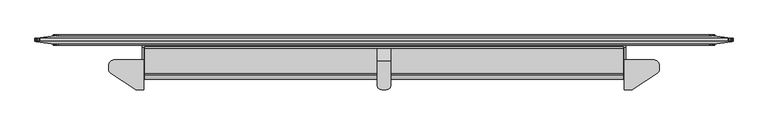
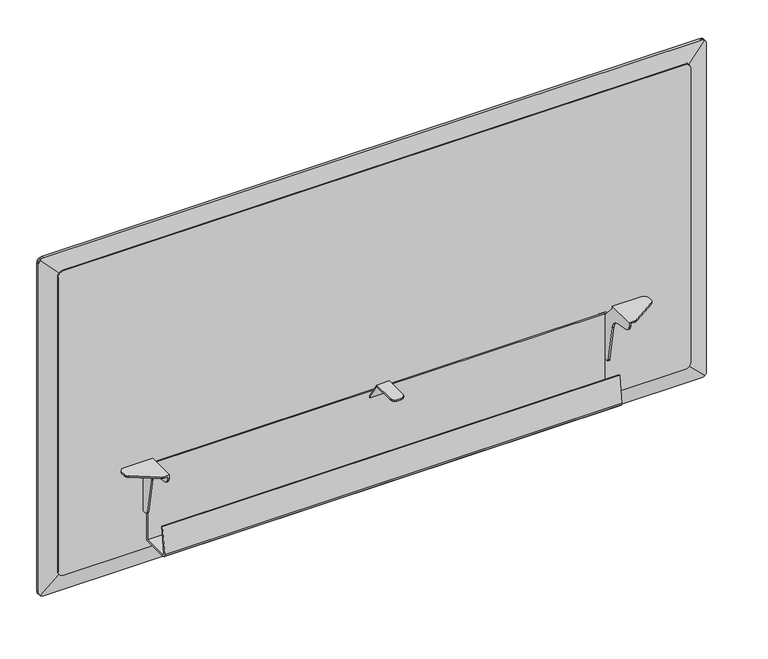
"""IFC4 building model written with IfcOpenShell, lengths in millimetres: furniture geometry."""

from ifc_helpers import new_model, si_unit, frame, origin, place, context, project, spatial, polyline, outline, extrude, faceted_brep, source, transform, mapped, element, save


def furniture_07ac984d(model_context):
    return source(origin(), model_context, "Body", "SolidModel", [
        faceted_brep([(1170.6859978, -47.2440001, 703.2318954), (1113.9170065, -47.2440001, 703.2318954), (1113.9170065, -103.8860008, 703.2318954), (1125.0202986, -103.8860008, 703.2318954), (1126.8649535, -103.7056703, 703.2318954), (1128.6397543, -103.1715187, 703.2318954), (1130.2774996, -102.3037619, 703.2318954), (1175.9431987, -72.0782948, 703.2318954), (1178.2257901, -69.955943, 703.2318954), (1179.7010453, -67.2103598, 703.2318954), (1180.2109978, -64.1355338, 703.2318954), (1180.2109978, -56.7690004, 703.2318954), (1178.9348948, -52.0064998, 703.2318954), (1175.4484978, -48.520108, 703.2318954), (1113.9170065, -103.8860008, 695.6004571), (1116.9649945, -103.8860008, 695.6004571), (1116.9649945, -103.8860008, 700.1838983), (1125.0202986, -103.8860008, 700.1838983), (1116.9649945, -19.05, 578.009924), (1104.1380068, -19.05, 578.009924), (1099.3755068, -19.05, 579.2860452), (1095.8891098, -19.05, 582.772424), (1094.6130068, -19.05, 587.534924), (1094.6130068, -19.05, 663.7348876), (1095.8891098, -19.05, 668.4973876), (1099.3755068, -19.05, 671.9838027), (1104.1380068, -19.05, 673.2598876), (1116.9649945, -19.05, 673.2598876), (1116.9649945, -47.2440001, 700.1838983), (1170.6859978, -47.2440001, 700.1838983), (1175.4484978, -48.520108, 700.1838983), (1178.9348948, -52.0064998, 700.1838983), (1180.2109978, -56.7690004, 700.1838983), (1180.2109978, -64.1355338, 700.1838983), (1179.7010453, -67.2103598, 700.1838983), (1178.2257901, -69.955943, 700.1838983), (1175.9431987, -72.0782948, 700.1838983), (1130.2774996, -102.3037619, 700.1838983), (1128.6397543, -103.1715187, 700.1838983), (1126.8649535, -103.7056703, 700.1838983), (1116.9649945, -102.535134, 689.9007324), (1116.9649945, -98.769916, 685.4135063), (1116.9649945, -93.3913335, 683.0934444), (1116.9649945, -67.1971565, 678.4746856), (1116.9649945, -57.6502931, 674.6819665), (1116.9649945, -50.386431, 667.418093), (1116.9649945, -46.5937042, 657.8712194), (1116.9649945, -33.4372464, 583.2572418), (1116.9649945, -32.2771995, 580.56798), (1116.9649945, -30.0335922, 578.6853551), (1116.9649945, -27.1837173, 578.009924), (1116.9649945, -24.1299997, 673.2598876), (1116.9649945, -47.2440001, 698.1519002), (1113.9170065, -47.2440001, 698.1519002), (1113.9170065, -24.1299997, 673.2598876), (1104.1380068, -22.0979994, 673.2598876), (1113.9170065, -22.0979994, 673.2598876), (1113.9170065, -98.769916, 685.4135063), (1113.9170065, -93.3913335, 683.0934444), (1113.9170065, -102.535134, 689.9007324), (1113.9170065, -27.1837173, 578.009924), (1113.9170065, -22.0979994, 578.009924), (1104.1380068, -22.0979994, 578.009924), (1113.9170065, -30.0335922, 578.6853551), (1113.9170065, -32.2771995, 580.56798), (1113.9170065, -33.4372464, 583.2572418), (1113.9170065, -46.5937042, 657.8712194), (1113.9170065, -50.386431, 667.418093), (1113.9170065, -57.6502931, 674.6819665), (1113.9170065, -67.1971565, 678.4746856), (1099.3755068, -22.0979994, 671.9838027), (1095.8891098, -22.0979994, 668.4973876), (1094.6130068, -22.0979994, 663.7348876), (1094.6130068, -22.0979994, 587.534924), (1095.8891098, -22.0979994, 582.772424), (1099.3755068, -22.0979994, 579.2860452)], [[[0, 1, 2, 3, 4, 5, 6, 7, 8, 9, 10, 11, 12, 13]], [[3, 2, 14, 15, 16, 17]], [[18, 19, 20, 21, 22, 23, 24, 25, 26, 27]], [[28, 29, 30, 31, 32, 33, 34, 35, 36, 37, 38, 39, 17, 16]], [[16, 15, 40, 41, 42, 43, 44, 45, 46, 47, 48, 49, 50, 18, 27, 51, 52, 28]], [[29, 28, 52, 53, 1, 0]], [[13, 30, 29, 0]], [[12, 31, 30, 13]], [[11, 32, 31, 12]], [[10, 33, 32, 11]], [[9, 34, 33, 10]], [[8, 35, 34, 9]], [[7, 36, 35, 8]], [[6, 37, 36, 7]], [[5, 38, 37, 6]], [[4, 39, 38, 5]], [[3, 17, 39, 4]], [[51, 54, 53, 52]], [[27, 26, 55, 56, 54, 51]], [[41, 57, 58, 42]], [[40, 59, 57, 41]], [[15, 14, 59, 40]], [[50, 60, 61, 62, 19, 18]], [[49, 63, 60, 50]], [[48, 64, 63, 49]], [[47, 65, 64, 48]], [[46, 66, 65, 47]], [[45, 67, 66, 46]], [[44, 68, 67, 45]], [[43, 69, 68, 44]], [[42, 58, 69, 43]], [[61, 60, 63, 64, 65, 66, 67, 68, 69, 58, 57, 59, 14, 2, 1, 53, 54, 56]], [[56, 55, 70, 71, 72, 73, 74, 75, 62, 61]], [[70, 55, 26, 25]], [[25, 24, 71, 70]], [[24, 23, 72, 71]], [[23, 22, 73, 72]], [[22, 21, 74, 73]], [[21, 20, 75, 74]], [[20, 19, 62, 75]]]),
        faceted_brep([(657.2249879, -22.0979994, 576.2815516), (663.575, -22.0979994, 576.2815516), (668.3375, -22.0979994, 577.5576729), (669.3027027, -22.0979994, 578.5228756), (651.4972852, -22.0979994, 578.5228756), (652.4624879, -22.0979994, 577.5576729), (671.8238788, -22.0979994, 581.0440516), (672.0825067, -22.0979994, 582.0092544), (648.7174812, -22.0979994, 582.0092544), (648.9761091, -22.0979994, 581.0440516), (673.0999879, -22.0979994, 586.7717544), (647.6999879, -22.0979994, 586.7717544), (647.6999879, -22.0979994, 585.8065516), (673.0999879, -22.0979994, 585.8065064), (673.0999879, -22.0979994, 656.5709459), (647.6999879, -22.0979994, 656.5709459), (673.0999879, -49.7950483, 699.4207287), (647.6999879, -49.7950483, 699.4207287), (673.0999879, -94.4880459, 699.4207287), (671.8238788, -99.2505007, 699.4207287), (668.3375, -102.7368931, 699.4207287), (664.7416142, -103.7004075, 699.4207287), (656.0583736, -103.7004075, 699.4207287), (652.4624879, -102.7368931, 699.4207287), (648.9761091, -99.2505007, 699.4207287), (647.6999879, -94.4880007, 699.4207287), (647.6999879, -48.7171998, 702.4687258), (673.0999879, -48.7171998, 702.4687258), (673.0999879, -19.05, 656.5709459), (647.6999879, -19.05, 656.5709459), (647.6999879, -94.4880007, 702.4687258), (648.9761091, -99.2505007, 702.4687258), (652.4624879, -102.7368931, 702.4687258), (656.0583736, -103.7004075, 702.4687258), (664.7416142, -103.7004075, 702.4687258), (668.3375, -102.7368931, 702.4687258), (671.8238788, -99.2505007, 702.4687258), (673.0999879, -94.4880459, 702.4687258), (657.2249879, -19.05, 576.2815516), (663.575, -19.05, 576.2815516), (673.0999879, -19.05, 585.8065064), (671.8238788, -19.05, 581.0440516), (668.3375, -19.05, 577.5576729), (652.4624879, -19.05, 577.5576729), (648.9761091, -19.05, 581.0440516), (647.6999879, -19.05, 585.8065516)], [[[0, 1, 2, 3, 4, 5]], [[4, 3, 6, 7, 8, 9]], [[10, 11, 12, 8, 7, 13]], [[11, 10, 14, 15]], [[15, 14, 16, 17]], [[17, 16, 18, 19, 20, 21, 22, 23, 24, 25]], [[26, 27, 28, 29]], [[27, 26, 30, 31, 32, 33, 34, 35, 36, 37]], [[38, 39, 1, 0]], [[29, 28, 40, 41, 42, 39, 38, 43, 44, 45]], [[11, 15, 17, 25, 30, 26, 29, 45, 12]], [[14, 10, 13, 40, 28, 27, 37, 18, 16]], [[6, 41, 40, 13, 7]], [[41, 6, 3, 2, 42]], [[42, 2, 1, 39]], [[5, 43, 38, 0]], [[43, 5, 4, 9, 44]], [[44, 9, 8, 12, 45]], [[36, 19, 18, 37]], [[19, 36, 35, 20]], [[20, 35, 34, 21]], [[21, 34, 33, 22]], [[22, 33, 32, 23]], [[23, 32, 31, 24]], [[24, 31, 30, 25]]]),
        faceted_brep([(150.1140022, -47.2440001, 703.2318954), (145.3515022, -48.520108, 703.2318954), (141.8651052, -52.0064998, 703.2318954), (140.5890022, -56.7690004, 703.2318954), (140.5890022, -64.1355338, 703.2318954), (141.0989547, -67.2103598, 703.2318954), (142.5742099, -69.955943, 703.2318954), (144.8568013, -72.0782948, 703.2318954), (190.5225004, -102.3037619, 703.2318954), (192.1602457, -103.1715187, 703.2318954), (193.9350465, -103.7056703, 703.2318954), (195.7797014, -103.8860008, 703.2318954), (206.8829935, -103.8860008, 703.2318954), (206.8829935, -47.2440001, 703.2318954), (195.7797014, -103.8860008, 700.1838983), (203.8350055, -103.8860008, 700.1838983), (203.8350055, -103.8860008, 695.6004571), (206.8829935, -103.8860008, 695.6004571), (203.8350055, -19.05, 578.009924), (203.8350055, -19.05, 673.2598876), (216.6619932, -19.05, 673.2598876), (221.4244932, -19.05, 671.9838027), (224.9108902, -19.05, 668.4973876), (226.1869932, -19.05, 663.7348876), (226.1869932, -19.05, 587.534924), (224.9108902, -19.05, 582.772424), (221.4244932, -19.05, 579.2860452), (216.6619932, -19.05, 578.009924), (203.8350055, -47.2440001, 700.1838983), (193.9350465, -103.7056703, 700.1838983), (192.1602457, -103.1715187, 700.1838983), (190.5225004, -102.3037619, 700.1838983), (144.8568013, -72.0782948, 700.1838983), (142.5742099, -69.955943, 700.1838983), (141.0989547, -67.2103598, 700.1838983), (140.5890022, -64.1355338, 700.1838983), (140.5890022, -56.7690004, 700.1838983), (141.8651052, -52.0064998, 700.1838983), (145.3515022, -48.520108, 700.1838983), (150.1140022, -47.2440001, 700.1838983), (203.8350055, -47.2440001, 698.1519002), (203.8350055, -24.1299997, 673.2598876), (203.8350055, -27.1837173, 578.009924), (203.8350055, -30.0335922, 578.6853551), (203.8350055, -32.2771995, 580.56798), (203.8350055, -33.4372464, 583.2572418), (203.8350055, -46.5937042, 657.8712194), (203.8350055, -50.386431, 667.418093), (203.8350055, -57.6502931, 674.6819665), (203.8350055, -67.1971565, 678.4746856), (203.8350055, -93.3913335, 683.0934444), (203.8350055, -98.769916, 685.4135063), (203.8350055, -102.535134, 689.9007324), (206.8829935, -47.2440001, 698.1519002), (206.8829935, -24.1299997, 673.2598876), (206.8829935, -22.0979994, 673.2598876), (216.6619932, -22.0979994, 673.2598876), (206.8829935, -93.3913335, 683.0934444), (206.8829935, -98.769916, 685.4135063), (206.8829935, -102.535134, 689.9007324), (216.6619932, -22.0979994, 578.009924), (206.8829935, -22.0979994, 578.009924), (206.8829935, -27.1837173, 578.009924), (206.8829935, -30.0335922, 578.6853551), (206.8829935, -32.2771995, 580.56798), (206.8829935, -33.4372464, 583.2572418), (206.8829935, -46.5937042, 657.8712194), (206.8829935, -50.386431, 667.418093), (206.8829935, -57.6502931, 674.6819665), (206.8829935, -67.1971565, 678.4746856), (221.4244932, -22.0979994, 579.2860452), (224.9108902, -22.0979994, 582.772424), (226.1869932, -22.0979994, 587.534924), (226.1869932, -22.0979994, 663.7348876), (224.9108902, -22.0979994, 668.4973876), (221.4244932, -22.0979994, 671.9838027)], [[[0, 1, 2, 3, 4, 5, 6, 7, 8, 9, 10, 11, 12, 13]], [[11, 14, 15, 16, 17, 12]], [[18, 19, 20, 21, 22, 23, 24, 25, 26, 27]], [[28, 15, 14, 29, 30, 31, 32, 33, 34, 35, 36, 37, 38, 39]], [[15, 28, 40, 41, 19, 18, 42, 43, 44, 45, 46, 47, 48, 49, 50, 51, 52, 16]], [[39, 0, 13, 53, 40, 28]], [[1, 0, 39, 38]], [[2, 1, 38, 37]], [[3, 2, 37, 36]], [[4, 3, 36, 35]], [[5, 4, 35, 34]], [[6, 5, 34, 33]], [[7, 6, 33, 32]], [[8, 7, 32, 31]], [[9, 8, 31, 30]], [[10, 9, 30, 29]], [[11, 10, 29, 14]], [[41, 40, 53, 54]], [[19, 41, 54, 55, 56, 20]], [[51, 50, 57, 58]], [[52, 51, 58, 59]], [[16, 52, 59, 17]], [[42, 18, 27, 60, 61, 62]], [[43, 42, 62, 63]], [[44, 43, 63, 64]], [[45, 44, 64, 65]], [[46, 45, 65, 66]], [[47, 46, 66, 67]], [[48, 47, 67, 68]], [[49, 48, 68, 69]], [[50, 49, 69, 57]], [[61, 55, 54, 53, 13, 12, 17, 59, 58, 57, 69, 68, 67, 66, 65, 64, 63, 62]], [[55, 61, 60, 70, 71, 72, 73, 74, 75, 56]], [[75, 21, 20, 56]], [[21, 75, 74, 22]], [[22, 74, 73, 23]], [[23, 73, 72, 24]], [[24, 72, 71, 25]], [[25, 71, 70, 26]], [[26, 70, 60, 27]]]),
        extrude(outline(polyline([(-22.2259803, 516.3833061), (-77.4051408, 516.3833061), (-80.8321751, 517.3659924), (-83.1908324, 520.0793173), (-83.6878951, 523.6161021), (-76.1664074, 577.1342685), (-73.0276067, 576.6931389), (-80.5557387, 523.1276965), (-80.3126746, 521.3982054), (-79.1365997, 520.0452861), (-77.4094889, 519.5500451), (-25.3867342, 519.5500451), (-25.3867342, 675.2348745), (-22.2259803, 675.2348745), (-22.2259803, 516.3833061)])), frame((209.2706021, 0.0, 0.0), z_axis=(1.0, 0.0, 0.0), x_axis=(0.0, 1.0, 0.0)), (0.0, 0.0, 1.0), 902.2587656),
        extrude(outline(polyline([(1133.602, 1273.9178925), (1133.602, 46.8257121), (1132.9159549, 43.184392), (1131.8278673, 40.7952556), (1130.5466955, 39.2079102), (1128.6346029, 37.7230447), (1126.3089454, 36.7081476), (1123.6517493, 36.322), (508.4958553, 36.322), (505.8386592, 36.7081476), (503.5130017, 37.7230447), (501.6009091, 39.2079102), (500.3197373, 40.7952556), (499.2316497, 43.184392), (498.602, 46.5263823), (498.602, 1274.2172223), (499.2316497, 1277.5592125), (500.3197373, 1279.9483489), (501.6009091, 1281.5356944), (503.5130017, 1283.0205599), (505.8386592, 1284.035457), (508.8839288, 1284.478), (1123.2636758, 1284.478), (1126.3089454, 1284.035457), (1128.6346029, 1283.0205599), (1130.5466955, 1281.5356944), (1131.8278673, 1279.9483489), (1132.9159549, 1277.5592125), (1133.602, 1273.9178925)])), frame((0.0, -19.05, 0.0), z_axis=(0.0, 1.0, 0.0), x_axis=(0.0, 0.0, 1.0)), (0.0, 0.0, 1.0), 19.05),
        faceted_brep([(1281.2466046, -1.27, 501.8333954), (1281.2466046, -1.27, 1130.3706046), (1316.3341432, -6.201232, 1165.4581432), (1317.8749553, -6.417779, 1163.4740069), (1318.8898524, -6.5604135, 1161.1483494), (1319.276, -6.614683, 1158.4911533), (1319.276, -6.614683, 473.7128467), (1318.8898524, -6.5604135, 471.0556506), (1317.8749553, -6.417779, 468.7299931), (1316.3341432, -6.201232, 466.7458568), (1281.2466046, -17.78, 1130.3706046), (1281.2466046, -17.78, 501.8333954), (1316.3341432, -12.5994806, 466.7458568), (1317.8749553, -12.3719865, 468.7299931), (1318.8898524, -12.2221415, 471.0556506), (1319.276, -12.1651285, 473.7128467), (1319.276, -12.1651285, 1158.4911533), (1318.8898524, -12.2221415, 1161.1483494), (1317.8749553, -12.3719865, 1163.4740069), (1316.3341432, -12.5994806, 1165.4581432), (39.5533954, -1.27, 501.8333954), (1314.8027444, -6.3711638, 465.5367287), (1312.413608, -6.5240846, 464.4486411), (1308.9920479, -6.614683, 463.804), (11.8079521, -6.614683, 463.804), (8.386392, -6.5240846, 464.4486411), (5.9972556, -6.3711638, 465.5367287), (4.479154, -6.1989614, 466.7620127), (39.5533954, -17.78, 501.8333954), (4.4658568, -12.5994806, 466.7458568), (5.9972556, -12.4209582, 465.5367287), (8.386392, -12.2603069, 464.4486411), (11.8079521, -12.1651285, 463.804), (1308.9920479, -12.1651285, 463.804), (1312.413608, -12.2603069, 464.4486411), (1314.8027444, -12.4209582, 465.5367287), (39.5533954, -1.27, 1130.3706046), (2.9250447, -6.417779, 468.7299931), (1.9101476, -6.5604135, 471.0556506), (1.524, -6.614683, 473.7128467), (1.524, -6.614683, 1158.4911533), (1.9101476, -6.5604135, 1161.1483494), (2.9250447, -6.417779, 1163.4740069), (4.4658568, -6.201232, 1165.4581432), (39.5533954, -17.78, 1130.3706046), (4.4658568, -12.5994806, 1165.4581432), (2.9250447, -12.3719865, 1163.4740069), (1.9101476, -12.2221415, 1161.1483494), (1.524, -12.1651285, 1158.4911533), (1.524, -12.1651285, 473.7128467), (1.9101476, -12.2221415, 471.0556506), (2.9250447, -12.3719865, 468.7299931), (5.9972556, -6.3711638, 1166.6672713), (8.386392, -6.5240846, 1167.7553589), (11.8079521, -6.614683, 1168.4), (1308.9920479, -6.614683, 1168.4), (1312.413608, -6.5240846, 1167.7553589), (1314.8027444, -6.3711638, 1166.6672713), (1314.8027444, -12.4209582, 1166.6672713), (1312.413608, -12.2603069, 1167.7553589), (1308.9920479, -12.1651285, 1168.4), (11.8079521, -12.1651285, 1168.4), (8.386392, -12.2603069, 1167.7553589), (5.9972556, -12.4209582, 1166.6672713)], [[[0, 1, 2, 3, 4, 5, 6, 7, 8, 9]], [[10, 11, 12, 13, 14, 15, 16, 17, 18, 19]], [[20, 0, 9, 21, 22, 23, 24, 25, 26, 27]], [[11, 28, 29, 30, 31, 32, 33, 34, 35, 12]], [[36, 20, 27, 37, 38, 39, 40, 41, 42, 43]], [[28, 44, 45, 46, 47, 48, 49, 50, 51, 29]], [[1, 36, 43, 52, 53, 54, 55, 56, 57, 2]], [[44, 10, 19, 58, 59, 60, 61, 62, 63, 45]], [[1, 0, 11, 10]], [[0, 20, 28, 11]], [[20, 36, 44, 28]], [[36, 1, 10, 44]], [[5, 16, 15, 6]], [[23, 33, 32, 24]], [[48, 40, 39, 49]], [[54, 61, 60, 55]], [[41, 47, 46, 42]], [[45, 43, 42, 46]], [[43, 45, 63, 52]], [[52, 63, 62, 53]], [[53, 62, 61, 54]], [[47, 41, 40, 48]], [[3, 18, 17, 4]], [[2, 19, 18, 3]], [[19, 2, 57, 58]], [[58, 57, 56, 59]], [[59, 56, 55, 60]], [[4, 17, 16, 5]], [[7, 14, 13, 8]], [[12, 9, 8, 13]], [[9, 12, 35, 21]], [[21, 35, 34, 22]], [[22, 34, 33, 23]], [[14, 7, 6, 15]], [[37, 51, 50, 38]], [[27, 29, 51, 37]], [[29, 27, 26, 30]], [[30, 26, 25, 31]], [[31, 25, 24, 32]], [[38, 50, 49, 39]]]),
    ])


if __name__ == "__main__":
    model = new_model("IFC4")
    model_context = context("Model", 3, world=origin())
    ifc_project = project(units=[si_unit("LENGTHUNIT", "METRE", prefix="MILLI")], contexts=[model_context])
    site = spatial("IfcSite", under=ifc_project)
    building = spatial("IfcBuilding", under=site)
    placement = place(None, origin())
    furniture_shape = furniture_07ac984d(model_context)
    element("IfcFurniture", 1, at=placement, inside=building, context=model_context, shape_type="MappedRepresentation", body=[
        mapped(furniture_shape, transform((0.0, 0.0, 0.0), x_axis=(1.0, 0.0, 0.0), y_axis=(0.0, 1.0, 0.0), z_axis=(0.0, 0.0, 1.0))),
    ])
    save(model, "model.ifc")
